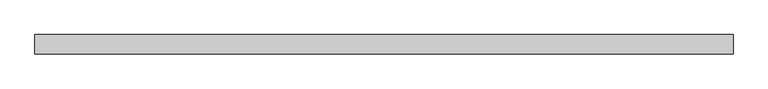
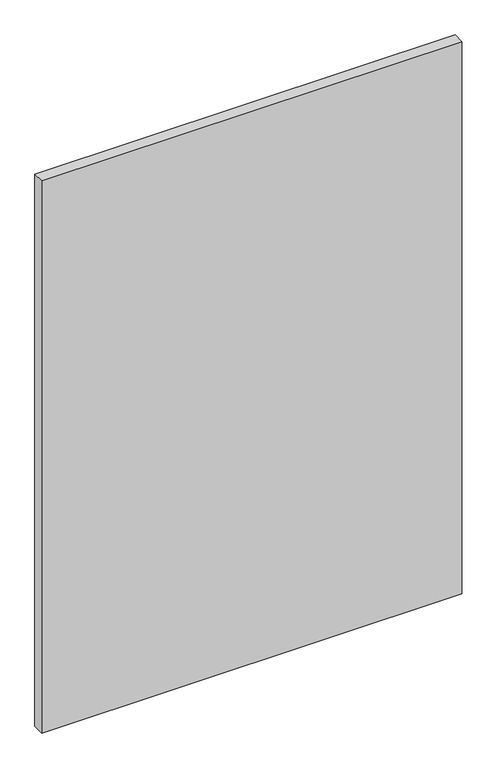
"""IFC4 building model written with IfcOpenShell, lengths in millimetres: proxy geometry."""

from ifc_helpers import new_model, si_unit, origin, origin_with_axes, place, context, project, spatial, polyline, outline, extrude, source, transform, mapped, element, save


def generic_models_6e8fe623(model_context):
    return source(origin(), model_context, "Body", "SweptSolid", [
        extrude(outline(polyline([(-899.6067332, -24.9999887), (-899.6067336, 25.0000534), (899.6067332, 24.9999887), (899.6067336, -25.0000534), (-899.6067332, -24.9999887)])), origin_with_axes(), (0.0, 0.0, 1.0), 2500.0),
    ])


if __name__ == "__main__":
    model = new_model("IFC4")
    model_context = context("Model", 3, world=origin())
    ifc_project = project(units=[si_unit("LENGTHUNIT", "METRE", prefix="MILLI")], contexts=[model_context])
    site = spatial("IfcSite", under=ifc_project)
    building = spatial("IfcBuilding", under=site)
    placement = place(None, origin())
    generic_models_shape = generic_models_6e8fe623(model_context)
    element("IfcBuildingElementProxy", 1, Name="Generic Models", at=placement, inside=building, context=model_context, shape_type="MappedRepresentation", body=[
        mapped(generic_models_shape, transform((0.0, 0.0, 0.0), x_axis=(1.0, 0.0, 0.0), y_axis=(0.0, 1.0, 0.0), z_axis=(0.0, 0.0, 1.0))),
    ])
    save(model, "model.ifc")
